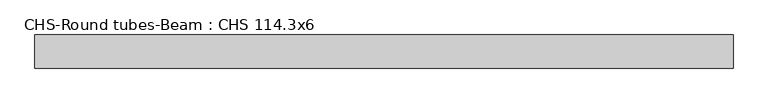
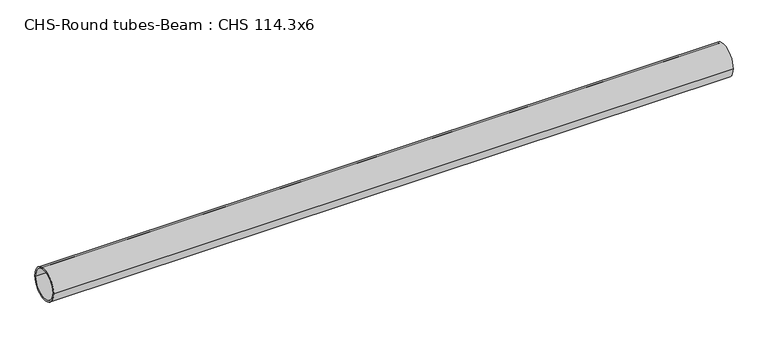
"""IFC4 building model written with IfcOpenShell, lengths in millimetres: beam geometry, CHS-Round tubes-Beam : CHS 114.3x6."""

from ifc_helpers import new_model, si_unit, point, frame, origin, origin_2d, place, context, project, spatial, circle_curve, trimmed, segment, composite_curve, outline, extrude, source, transform, mapped, element, save


def chs_round_tubes_beam_chs_114_3x6_8d8e2333(model_context):
    return source(origin(), model_context, "Body", "SweptSolid", [
        extrude(outline(composite_curve([segment(trimmed(circle_curve(origin_2d(), 57.15), [point((57.15, 0.0))], [point((-57.15, 0.0))], False, "CARTESIAN"), True, "CONTINUOUS"), segment(trimmed(circle_curve(origin_2d(), 57.15), [point((-57.15, 0.0))], [point((57.15, 0.0))], False, "CARTESIAN"), True, "CONTINUOUS")], self_intersect=False), holes=[composite_curve([segment(trimmed(circle_curve(origin_2d(), 51.15), [point((51.15, 0.0))], [point((-51.15, 0.0))], True, "CARTESIAN"), True, "CONTINUOUS"), segment(trimmed(circle_curve(origin_2d(), 51.15), [point((-51.15, 0.0))], [point((51.15, 0.0))], True, "CARTESIAN"), True, "CONTINUOUS")], self_intersect=False)]), frame((-1155.6909713, 0.0, 0.0), z_axis=(1.0, 0.0, 0.0), x_axis=(0.0, 1.0, 0.0)), (0.0, 0.0, 1.0), 2408.8072891),
    ])


if __name__ == "__main__":
    model = new_model("IFC4")
    model_context = context("Model", 3, world=origin())
    ifc_project = project(units=[si_unit("LENGTHUNIT", "METRE", prefix="MILLI")], contexts=[model_context])
    site = spatial("IfcSite", under=ifc_project)
    building = spatial("IfcBuilding", under=site)
    placement = place(None, origin())
    chs_round_tubes_beam_chs_114_3x6_shape = chs_round_tubes_beam_chs_114_3x6_8d8e2333(model_context)
    element("IfcBeam", 1, ObjectType="CHS-Round tubes-Beam : CHS 114.3x6", at=placement, inside=building, context=model_context, shape_type="MappedRepresentation", body=[
        mapped(chs_round_tubes_beam_chs_114_3x6_shape, transform((0.0, 0.0, 0.0), x_axis=(1.0, 0.0, 0.0), y_axis=(0.0, 1.0, 0.0), z_axis=(0.0, 0.0, 1.0))),
    ])
    save(model, "model.ifc")
